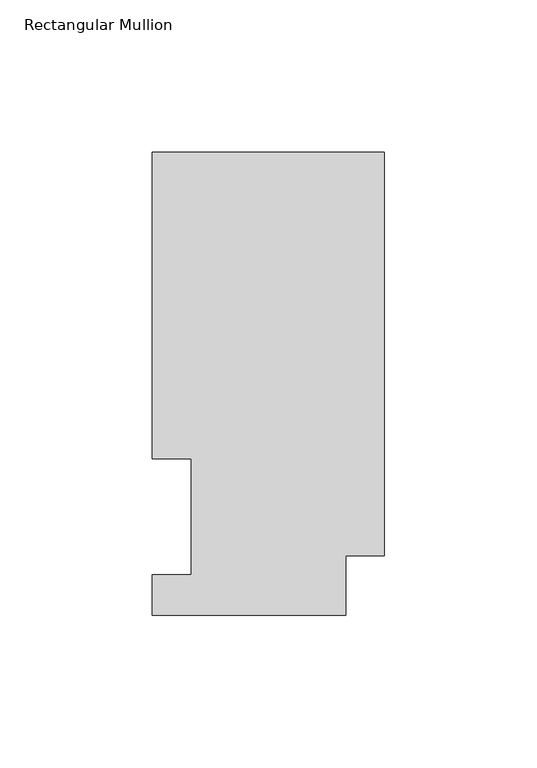
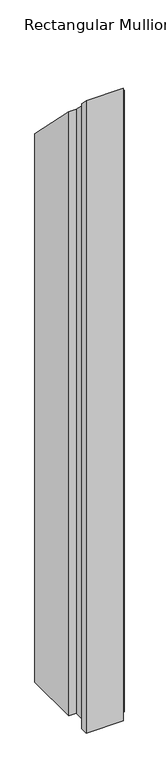
"""IFC4 building model written with IfcOpenShell, lengths in millimetres: member geometry, Rectangular Mullion."""

from ifc_helpers import new_model, si_unit, origin, place, context, project, spatial, faceted_brep, source, transform, mapped, element, save


def rectangular_mullion_04e6303f(model_context):
    return source(origin(), model_context, "Body", "Brep", [
        faceted_brep([(-76.2000004, 151.9054938, -1143.0134937), (0.0, 151.9054938, -1143.0134937), (0.0, 19.5460937, -1143.0134937), (-12.7000004, 19.5460937, -1143.0134937), (-12.7000004, 0.0134937, -1143.0134937), (-76.1943324, 0.0134937, -1143.0134937), (-76.1943324, 13.1960937, -1143.0134937), (-63.4943324, 13.1960937, -1143.0134937), (-63.4943324, 51.2960937, -1143.0134937), (-76.2000004, 51.2960938, -1143.0134937), (-76.2000004, 51.2960938, -51.2960938), (-76.2000004, 151.9054938, -151.9054938), (-63.4943324, 51.2960937, -51.2960938), (-63.4943324, 13.1960937, -13.1960937), (-76.1943324, 13.1960937, -13.1960937), (-76.1943324, 0.0134937, -0.0134937), (-12.7000004, 0.0134937, -0.0134937), (-12.7000004, 19.5460937, -19.5460937), (0.0, 19.5460937, -19.5460937), (0.0, 151.9054938, -151.9054938)], [[[0, 1, 2, 3, 4, 5, 6, 7, 8, 9]], [[10, 11, 0, 9]], [[12, 10, 9, 8]], [[13, 12, 8, 7]], [[14, 13, 7, 6]], [[15, 14, 6, 5]], [[16, 15, 5, 4]], [[17, 16, 4, 3]], [[18, 17, 3, 2]], [[19, 18, 2, 1]], [[11, 19, 1, 0]], [[11, 10, 12, 13, 14, 15, 16, 17, 18, 19]]]),
    ])


if __name__ == "__main__":
    model = new_model("IFC4")
    model_context = context("Model", 3, world=origin())
    ifc_project = project(units=[si_unit("LENGTHUNIT", "METRE", prefix="MILLI")], contexts=[model_context])
    site = spatial("IfcSite", under=ifc_project)
    building = spatial("IfcBuilding", under=site)
    placement = place(None, origin())
    rectangular_mullion_shape = rectangular_mullion_04e6303f(model_context)
    element("IfcMember", 1, ObjectType="Rectangular Mullion", at=placement, inside=building, context=model_context, shape_type="MappedRepresentation", body=[
        mapped(rectangular_mullion_shape, transform((0.0, 0.0, 0.0), x_axis=(1.0, 0.0, 0.0), y_axis=(0.0, 1.0, 0.0), z_axis=(0.0, 0.0, 1.0))),
    ])
    save(model, "model.ifc")
